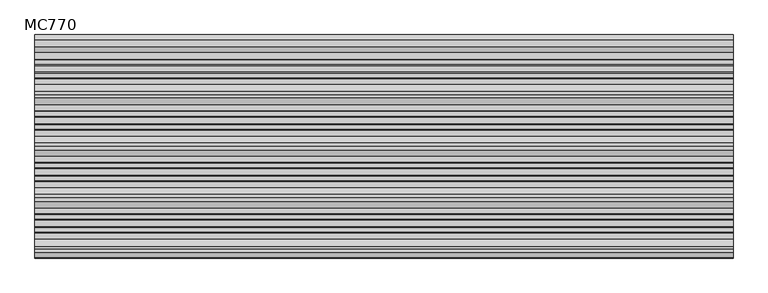
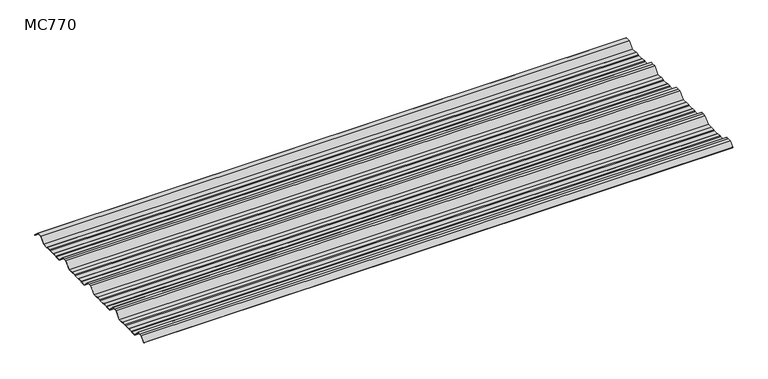
"""IFC4 building model written with IfcOpenShell, lengths in millimetres: beam geometry, MC770."""

import ifcopenshell
import ifcopenshell.guid

model = None  # the IFC model being written
_history = None  # IfcOwnerHistory: only IFC2X3 demands one
_inside = {}  # id of a spatial element -> (the spatial element, [elements in it])
_under = {}  # id of a project, library or spatial element -> (it, [spatial elements below it])
_declared = {}  # id of a project -> (the project, [libraries it declares])
_typed = {}  # id of a type object -> (the type object, [elements of that type])
_made_of = {}  # id of a material, layer set ... -> (it, [elements and type objects made of it])


def new_model(schema):
    """Start an empty IFC model of exactly this schema.

    Asked for "IFC4X3", IfcOpenShell would pick the latest addendum, in which some entities
    have other attributes; the version numbers below select the first issue.
    IFC2X3 requires an IfcOwnerHistory on every rooted entity: one is made here for all.
    """
    global model, _history
    if schema == "IFC4X3":
        model = ifcopenshell.file(schema_version=(4, 3, 0, 0))
    else:
        model = ifcopenshell.file(schema=schema)
    _inside.clear()
    _under.clear()
    _declared.clear()
    _typed.clear()
    _made_of.clear()
    _history = None
    if model.schema == "IFC2X3":
        org = make("IfcOrganization", Name="unknown")
        user = make(
            "IfcPersonAndOrganization",
            ThePerson=make("IfcPerson", FamilyName="unknown"),
            TheOrganization=org,
        )
        app = make(
            "IfcApplication",
            ApplicationDeveloper=org,
            Version="unknown",
            ApplicationFullName="unknown",
            ApplicationIdentifier="unknown",
        )
        _history = make(
            "IfcOwnerHistory",
            OwningUser=user,
            OwningApplication=app,
            ChangeAction="ADDED",
            CreationDate=0,
        )
    return model


def make(cls, **values):
    """One entity of the class cls with the attributes given. An attribute that is None is left unset."""
    return model.create_entity(
        cls, **{name: value for name, value in values.items() if value is not None}
    )


def rooted(cls, **values):
    """An entity with a GlobalId (a new one), such as an element, a storey or a relation."""
    return make(cls, GlobalId=ifcopenshell.guid.new(), OwnerHistory=_history, **values)


def si_unit(unit_type, name, prefix=None):
    """IfcSIUnit, for example si_unit("LENGTHUNIT", "METRE", prefix="MILLI")."""
    return make("IfcSIUnit", UnitType=unit_type, Prefix=prefix, Name=name)


def assignment(units):
    """IfcUnitAssignment: the units of a project."""
    return None if units is None else make("IfcUnitAssignment", Units=units)


def point(xyz):
    """IfcCartesianPoint."""
    return None if xyz is None else make("IfcCartesianPoint", Coordinates=xyz)


def direction(xyz):
    """IfcDirection."""
    return None if xyz is None else make("IfcDirection", DirectionRatios=xyz)


def frame(location, z_axis=None, x_axis=None):
    """IfcAxis2Placement3D, a coordinate frame: its origin and axes. An axis left out is left unset."""
    return make(
        "IfcAxis2Placement3D",
        Location=point(location),
        Axis=direction(z_axis),
        RefDirection=direction(x_axis),
    )


def frame_2d(location, x_axis=None):
    """IfcAxis2Placement2D, a coordinate frame in the plane: its origin and x axis."""
    return make(
        "IfcAxis2Placement2D", Location=point(location), RefDirection=direction(x_axis)
    )


def origin():
    """The frame at (0, 0, 0) with its axes left unset."""
    return frame((0.0, 0.0, 0.0))


def place(relative_to, where):
    """IfcLocalPlacement: puts the frame where relative to a parent placement (None: the world)."""
    return make(
        "IfcLocalPlacement", PlacementRelTo=relative_to, RelativePlacement=where
    )


def context(
    kind, dimensions, precision=None, world=None, true_north=None, identifier=None
):
    """IfcGeometricRepresentationContext, for example the 3D "Model" context."""
    return make(
        "IfcGeometricRepresentationContext",
        ContextIdentifier=identifier,
        ContextType=kind,
        CoordinateSpaceDimension=dimensions,
        Precision=precision,
        WorldCoordinateSystem=world,
        TrueNorth=true_north,
    )


def project(units=None, contexts=None):
    """IfcProject with its units and contexts."""
    return rooted(
        "IfcProject",
        Name="project",
        RepresentationContexts=contexts,
        UnitsInContext=assignment(units),
    )


def spatial(cls, under=None, at=None, **own):
    """A site, building, storey or space (cls), placed at a placement, below another one or the project."""
    s = rooted(cls, ObjectPlacement=at, **own)
    if under is not None:
        _under.setdefault(under.id(), (under, []))[1].append(s)
    return s


def polyline(points):
    """IfcPolyline through the points."""
    return make("IfcPolyline", Points=[point(p) for p in points])


def circle_curve(where, radius):
    """IfcCircle in the frame where."""
    return make("IfcCircle", Position=where, Radius=radius)


def trimmed(basis, trim1, trim2, sense, master):
    """IfcTrimmedCurve: the piece of a basis curve between two trims."""
    return make(
        "IfcTrimmedCurve",
        BasisCurve=basis,
        Trim1=trim1,
        Trim2=trim2,
        SenseAgreement=sense,
        MasterRepresentation=master,
    )


def segment(curve, same_sense, transition):
    """IfcCompositeCurveSegment."""
    return make(
        "IfcCompositeCurveSegment",
        Transition=transition,
        SameSense=same_sense,
        ParentCurve=curve,
    )


def composite_curve(segments, self_intersect=None):
    """IfcCompositeCurve: segments joined end to end."""
    return make("IfcCompositeCurve", Segments=segments, SelfIntersect=self_intersect)


def outline(outer, holes=None, kind="AREA"):
    """IfcArbitraryClosedProfileDef: a profile drawn as a closed curve; with holes, ...WithVoids."""
    if holes is None:
        return make("IfcArbitraryClosedProfileDef", ProfileType=kind, OuterCurve=outer)
    return make(
        "IfcArbitraryProfileDefWithVoids",
        ProfileType=kind,
        OuterCurve=outer,
        InnerCurves=holes,
    )


def extrude(swept, where, along, depth):
    """IfcExtrudedAreaSolid: the profile swept, set in the frame where, extruded along a direction by depth."""
    return make(
        "IfcExtrudedAreaSolid",
        SweptArea=swept,
        Position=where,
        ExtrudedDirection=direction(along),
        Depth=depth,
    )


def shape(context_of_items, identifier, shape_type, items):
    """IfcShapeRepresentation: the items that make up one representation, for example the "Body"."""
    return make(
        "IfcShapeRepresentation",
        ContextOfItems=context_of_items,
        RepresentationIdentifier=identifier,
        RepresentationType=shape_type,
        Items=items,
    )


def source(mapping_origin, context_of_items, identifier, shape_type, items):
    """IfcRepresentationMap: a shape defined once, which mapped items show again and again."""
    return make(
        "IfcRepresentationMap",
        MappingOrigin=mapping_origin,
        MappedRepresentation=shape(context_of_items, identifier, shape_type, items),
    )


def transform(
    local_origin,
    x_axis=None,
    y_axis=None,
    z_axis=None,
    scale=None,
    scale2=None,
    scale3=None,
    uniform=True,
):
    """IfcCartesianTransformationOperator3D, or its non-uniform kind. x_axis, y_axis, z_axis: its Axis1, 2, 3."""
    if uniform:
        return make(
            "IfcCartesianTransformationOperator3D",
            Axis1=direction(x_axis),
            Axis2=direction(y_axis),
            LocalOrigin=point(local_origin),
            Scale=scale,
            Axis3=direction(z_axis),
        )
    return make(
        "IfcCartesianTransformationOperator3DnonUniform",
        Axis1=direction(x_axis),
        Axis2=direction(y_axis),
        LocalOrigin=point(local_origin),
        Scale=scale,
        Axis3=direction(z_axis),
        Scale2=scale2,
        Scale3=scale3,
    )


def mapped(mapping_source, mapping_target):
    """IfcMappedItem: shows the shape of a source again, moved by a transform."""
    return make(
        "IfcMappedItem", MappingSource=mapping_source, MappingTarget=mapping_target
    )


def made_of(thing, what):
    """Note that an element or type object is made of a material, layer set ...; save() writes the relation."""
    if what is not None:
        _made_of.setdefault(what.id(), (what, []))[1].append(thing)
    return thing


def element(
    cls,
    number,
    at=None,
    inside=None,
    cuts=None,
    type_object=None,
    material=None,
    context=None,
    identifier="Body",
    shape_type=None,
    held_by="IfcProductDefinitionShape",
    body=None,
    shapes=None,
    **own,
):
    """One element of the class cls, such as IfcWall. Its Tag is "e" and its number.

    at: its placement. inside: the storey or other place that contains it. cuts: it is an
    opening in that element (IfcRelVoidsElement). A single representation is given by context,
    identifier, shape_type and body (its items); several are given by shapes. held_by: the class
    of the entity that holds the representations. save() writes the other relations.
    """
    e = rooted(cls, Tag="e%d" % number, ObjectPlacement=at, **own)
    if body is not None:
        shapes = [shape(context, identifier, shape_type, body)]
    if shapes is not None:
        e.Representation = make(held_by, Representations=shapes)
    if inside is not None:
        _inside.setdefault(inside.id(), (inside, []))[1].append(e)
    if cuts is not None:
        rooted(
            "IfcRelVoidsElement", RelatingBuildingElement=cuts, RelatedOpeningElement=e
        )
    if type_object is not None:
        _typed.setdefault(type_object.id(), (type_object, []))[1].append(e)
    return made_of(e, material)


def aggregate(whole, parts):
    """IfcRelAggregates: a whole, such as a stair, and the parts it consists of."""
    return rooted("IfcRelAggregates", RelatingObject=whole, RelatedObjects=parts)


def save(model, path):
    """Write the relations noted so far, then the file.

    IfcRelAggregates (storeys below a building ...), IfcRelContainedInSpatialStructure (elements
    in a storey), IfcRelDefinesByType, IfcRelAssociatesMaterial and IfcRelDeclares: one each for
    every whole, place, type object, material and project.
    """
    for whole, parts in _under.values():
        aggregate(whole, parts)
    for where, things in _inside.values():
        rooted(
            "IfcRelContainedInSpatialStructure",
            RelatedElements=things,
            RelatingStructure=where,
        )
    for kind, things in _typed.values():
        rooted("IfcRelDefinesByType", RelatedObjects=things, RelatingType=kind)
    for what, things in _made_of.values():
        rooted("IfcRelAssociatesMaterial", RelatedObjects=things, RelatingMaterial=what)
    for by, libraries in _declared.values():
        rooted("IfcRelDeclares", RelatingContext=by, RelatedDefinitions=libraries)
    model.write(path)


def mc770_93852372(model_context):
    return source(origin(), model_context, "Body", "SweptSolid", [
        extrude(outline(composite_curve([segment(polyline([(-155.0000967, -25.7896475), (-180.574511, 0.2103525), (-192.5, 0.2103525), (-204.425489, 0.2103525), (-229.9999033, -25.7896475), (-252.6975582, -25.7896475), (-255.9126024, -23.7494212), (-272.3405937, -23.7494212), (-276.7209114, -25.7896475), (-300.7790886, -25.7896475), (-305.1594063, -23.7494212), (-321.5873976, -23.7494212), (-324.8024418, -25.7896475), (-347.5000967, -25.7896475), (-373.074511, 0.2103525), (-385.0, 0.2103525), (-396.925489, 0.2103525), (-422.4999033, -25.7896475), (-445.1975582, -25.7896475), (-448.4126024, -23.7494212), (-464.8405937, -23.7494212), (-469.2209114, -25.7896475), (-493.2790886, -25.7896475), (-497.6594063, -23.7494212), (-514.0873976, -23.7494212), (-517.3024418, -25.7896475), (-540.0000967, -25.7896475), (-565.574511, 0.2103525), (-577.5, 0.2103525), (-589.425489, 0.2103525), (-614.9999033, -25.7896475), (-637.6975582, -25.7896475), (-640.9126024, -23.7494212), (-657.3405937, -23.7494212), (-661.7209114, -25.7896475), (-685.7790886, -25.7896475), (-690.1594063, -23.7494212), (-706.5873976, -23.7494212), (-709.8024418, -25.7896475), (-732.5000967, -25.7896475), (-758.074511, 0.2103525), (-770.0, 0.2103525), (-781.925489, 0.2103525), (-801.261749, -19.4476836)]), True, "CONTINUOUS"), segment(trimmed(circle_curve(frame_2d((-801.651258, -19.0516927)), 0.5554513), [point((-801.261749, -19.4476836))], [point((-802.0472489, -18.6621836))], False, "CARTESIAN"), True, "CONTINUOUS"), segment(polyline([(-802.0472489, -18.6621836), (-782.5, 1.2103525), (-770.0, 1.2103525), (-757.5, 1.2103525), (-731.9255858, -24.7896475), (-710.0929563, -24.7896475), (-706.8779121, -22.7494212), (-689.9379428, -22.7494212), (-685.5576251, -24.7896475), (-661.9423749, -24.7896475), (-657.5620572, -22.7494212), (-640.6220879, -22.7494212), (-637.4070437, -24.7896475), (-615.5744142, -24.7896475), (-590.0, 1.2103525), (-577.5, 1.2103525), (-565.0, 1.2103525), (-539.4255858, -24.7896475), (-517.5929563, -24.7896475), (-514.3779121, -22.7494212), (-497.4379428, -22.7494212), (-493.0576251, -24.7896475), (-469.4423749, -24.7896475), (-465.0620572, -22.7494212), (-448.1220879, -22.7494212), (-444.9070437, -24.7896475), (-423.0744142, -24.7896475), (-397.5, 1.2103525), (-385.0, 1.2103525), (-372.5, 1.2103525), (-346.9255858, -24.7896475), (-325.0929563, -24.7896475), (-321.8779121, -22.7494212), (-304.9379428, -22.7494212), (-300.5576251, -24.7896475), (-276.9423749, -24.7896475), (-272.5620572, -22.7494212), (-255.6220879, -22.7494212), (-252.4070437, -24.7896475), (-230.5744142, -24.7896475), (-205.0, 1.2103525), (-192.5, 1.2103525), (-180.0, 1.2103525), (-154.4255858, -24.7896475), (-132.5929563, -24.7896475), (-129.3779121, -22.7494212), (-112.4379428, -22.7494212), (-108.0576251, -24.7896475), (-84.4423749, -24.7896475), (-80.0620572, -22.7494212), (-63.1220879, -22.7494212), (-59.9070437, -24.7896475), (-35.113585, -24.7896475), (-11.5064334, -0.7896475), (11.5064334, -0.7896475), (31.651812, -21.2702668)]), True, "CONTINUOUS"), segment(trimmed(circle_curve(frame_2d((31.295329, -21.6209146)), 0.500034), [point((31.651812, -21.2702668))], [point((30.9446811, -21.9773977))], False, "CARTESIAN"), True, "CONTINUOUS"), segment(polyline([(30.9446811, -21.9773977), (11.0873778, -1.7896475), (-11.0873778, -1.7896475), (-34.6945294, -25.7896475), (-60.1975582, -25.7896475), (-63.4126024, -23.7494212), (-79.8405937, -23.7494212), (-84.2209114, -25.7896475), (-108.2790886, -25.7896475), (-112.6594063, -23.7494212), (-129.0873976, -23.7494212), (-132.3024418, -25.7896475), (-155.0000967, -25.7896475)]), True, "CONTINUOUS")], self_intersect=False)), frame((-1302.0931019, 0.0, 0.0), z_axis=(1.0, 0.0, 0.0), x_axis=(0.0, 1.0, 0.0)), (0.0, 0.0, 1.0), 2604.1862039),
    ])


if __name__ == "__main__":
    model = new_model("IFC4")
    model_context = context("Model", 3, world=origin())
    ifc_project = project(units=[si_unit("LENGTHUNIT", "METRE", prefix="MILLI")], contexts=[model_context])
    site = spatial("IfcSite", under=ifc_project)
    building = spatial("IfcBuilding", under=site)
    placement = place(None, origin())
    mc770_shape = mc770_93852372(model_context)
    element("IfcBeam", 1, ObjectType="MC770", at=placement, inside=building, context=model_context, shape_type="MappedRepresentation", body=[
        mapped(mc770_shape, transform((0.0, 0.0, 0.0), x_axis=(1.0, 0.0, 0.0), y_axis=(0.0, 1.0, 0.0), z_axis=(0.0, 0.0, 1.0))),
    ])
    save(model, "model.ifc")
